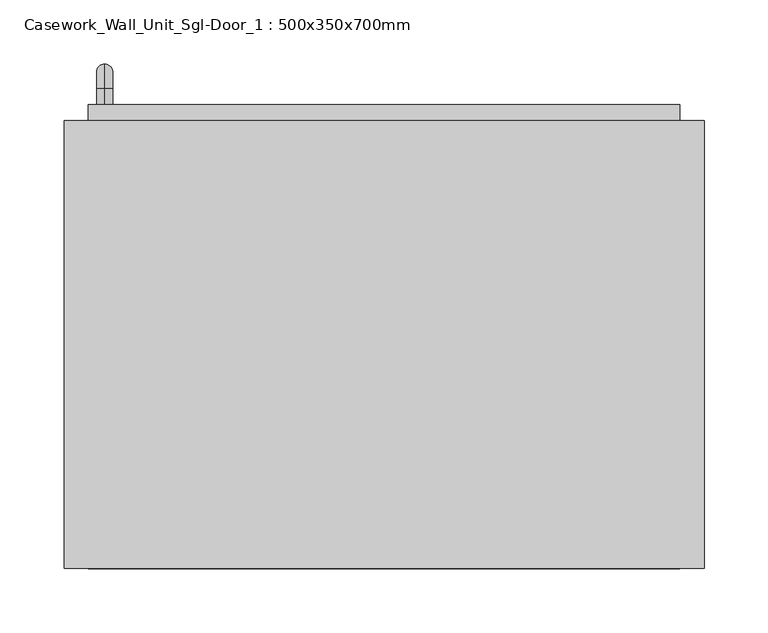
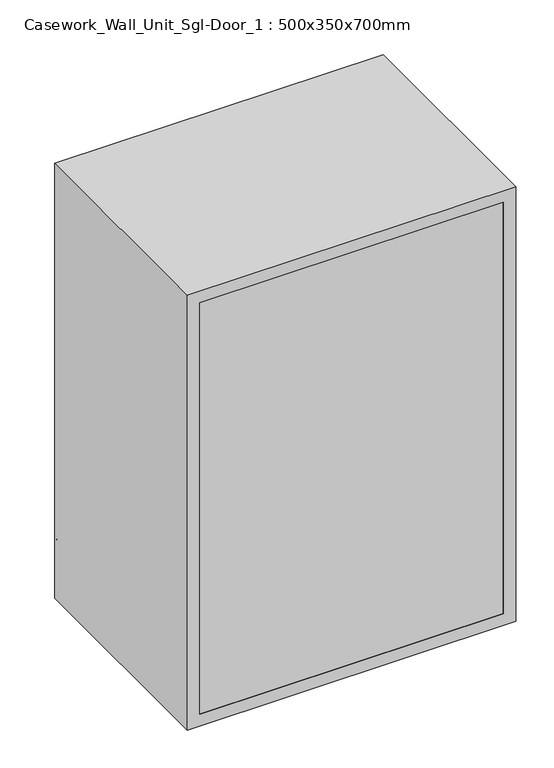
"""IFC4 building model written with IfcOpenShell, lengths in millimetres: furniture geometry, Casework_Wall_Unit_Sgl-Door_1 : 500x350x700mm."""

import ifcopenshell
import ifcopenshell.guid

model = None  # the IFC model being written
_history = None  # IfcOwnerHistory: only IFC2X3 demands one
_inside = {}  # id of a spatial element -> (the spatial element, [elements in it])
_under = {}  # id of a project, library or spatial element -> (it, [spatial elements below it])
_declared = {}  # id of a project -> (the project, [libraries it declares])
_typed = {}  # id of a type object -> (the type object, [elements of that type])
_made_of = {}  # id of a material, layer set ... -> (it, [elements and type objects made of it])


def new_model(schema):
    """Start an empty IFC model of exactly this schema.

    Asked for "IFC4X3", IfcOpenShell would pick the latest addendum, in which some entities
    have other attributes; the version numbers below select the first issue.
    IFC2X3 requires an IfcOwnerHistory on every rooted entity: one is made here for all.
    """
    global model, _history
    if schema == "IFC4X3":
        model = ifcopenshell.file(schema_version=(4, 3, 0, 0))
    else:
        model = ifcopenshell.file(schema=schema)
    _inside.clear()
    _under.clear()
    _declared.clear()
    _typed.clear()
    _made_of.clear()
    _history = None
    if model.schema == "IFC2X3":
        org = make("IfcOrganization", Name="unknown")
        user = make(
            "IfcPersonAndOrganization",
            ThePerson=make("IfcPerson", FamilyName="unknown"),
            TheOrganization=org,
        )
        app = make(
            "IfcApplication",
            ApplicationDeveloper=org,
            Version="unknown",
            ApplicationFullName="unknown",
            ApplicationIdentifier="unknown",
        )
        _history = make(
            "IfcOwnerHistory",
            OwningUser=user,
            OwningApplication=app,
            ChangeAction="ADDED",
            CreationDate=0,
        )
    return model


def make(cls, **values):
    """One entity of the class cls with the attributes given. An attribute that is None is left unset."""
    return model.create_entity(
        cls, **{name: value for name, value in values.items() if value is not None}
    )


def rooted(cls, **values):
    """An entity with a GlobalId (a new one), such as an element, a storey or a relation."""
    return make(cls, GlobalId=ifcopenshell.guid.new(), OwnerHistory=_history, **values)


def si_unit(unit_type, name, prefix=None):
    """IfcSIUnit, for example si_unit("LENGTHUNIT", "METRE", prefix="MILLI")."""
    return make("IfcSIUnit", UnitType=unit_type, Prefix=prefix, Name=name)


def assignment(units):
    """IfcUnitAssignment: the units of a project."""
    return None if units is None else make("IfcUnitAssignment", Units=units)


def point(xyz):
    """IfcCartesianPoint."""
    return None if xyz is None else make("IfcCartesianPoint", Coordinates=xyz)


def direction(xyz):
    """IfcDirection."""
    return None if xyz is None else make("IfcDirection", DirectionRatios=xyz)


def frame(location, z_axis=None, x_axis=None):
    """IfcAxis2Placement3D, a coordinate frame: its origin and axes. An axis left out is left unset."""
    return make(
        "IfcAxis2Placement3D",
        Location=point(location),
        Axis=direction(z_axis),
        RefDirection=direction(x_axis),
    )


def origin():
    """The frame at (0, 0, 0) with its axes left unset."""
    return frame((0.0, 0.0, 0.0))


def place(relative_to, where):
    """IfcLocalPlacement: puts the frame where relative to a parent placement (None: the world)."""
    return make(
        "IfcLocalPlacement", PlacementRelTo=relative_to, RelativePlacement=where
    )


def context(
    kind, dimensions, precision=None, world=None, true_north=None, identifier=None
):
    """IfcGeometricRepresentationContext, for example the 3D "Model" context."""
    return make(
        "IfcGeometricRepresentationContext",
        ContextIdentifier=identifier,
        ContextType=kind,
        CoordinateSpaceDimension=dimensions,
        Precision=precision,
        WorldCoordinateSystem=world,
        TrueNorth=true_north,
    )


def project(units=None, contexts=None):
    """IfcProject with its units and contexts."""
    return rooted(
        "IfcProject",
        Name="project",
        RepresentationContexts=contexts,
        UnitsInContext=assignment(units),
    )


def spatial(cls, under=None, at=None, **own):
    """A site, building, storey or space (cls), placed at a placement, below another one or the project."""
    s = rooted(cls, ObjectPlacement=at, **own)
    if under is not None:
        _under.setdefault(under.id(), (under, []))[1].append(s)
    return s


def polyline(points):
    """IfcPolyline through the points."""
    return make("IfcPolyline", Points=[point(p) for p in points])


def circle_curve(where, radius):
    """IfcCircle in the frame where."""
    return make("IfcCircle", Position=where, Radius=radius)


def ellipse_curve(where, semi_axis1, semi_axis2):
    """IfcEllipse in the frame where."""
    return make(
        "IfcEllipse", Position=where, SemiAxis1=semi_axis1, SemiAxis2=semi_axis2
    )


def trimmed(basis, trim1, trim2, sense, master):
    """IfcTrimmedCurve: the piece of a basis curve between two trims."""
    return make(
        "IfcTrimmedCurve",
        BasisCurve=basis,
        Trim1=trim1,
        Trim2=trim2,
        SenseAgreement=sense,
        MasterRepresentation=master,
    )


def outline(outer, holes=None, kind="AREA"):
    """IfcArbitraryClosedProfileDef: a profile drawn as a closed curve; with holes, ...WithVoids."""
    if holes is None:
        return make("IfcArbitraryClosedProfileDef", ProfileType=kind, OuterCurve=outer)
    return make(
        "IfcArbitraryProfileDefWithVoids",
        ProfileType=kind,
        OuterCurve=outer,
        InnerCurves=holes,
    )


def extrude(swept, where, along, depth):
    """IfcExtrudedAreaSolid: the profile swept, set in the frame where, extruded along a direction by depth."""
    return make(
        "IfcExtrudedAreaSolid",
        SweptArea=swept,
        Position=where,
        ExtrudedDirection=direction(along),
        Depth=depth,
    )


def shape(context_of_items, identifier, shape_type, items):
    """IfcShapeRepresentation: the items that make up one representation, for example the "Body"."""
    return make(
        "IfcShapeRepresentation",
        ContextOfItems=context_of_items,
        RepresentationIdentifier=identifier,
        RepresentationType=shape_type,
        Items=items,
    )


def source(mapping_origin, context_of_items, identifier, shape_type, items):
    """IfcRepresentationMap: a shape defined once, which mapped items show again and again."""
    return make(
        "IfcRepresentationMap",
        MappingOrigin=mapping_origin,
        MappedRepresentation=shape(context_of_items, identifier, shape_type, items),
    )


def transform(
    local_origin,
    x_axis=None,
    y_axis=None,
    z_axis=None,
    scale=None,
    scale2=None,
    scale3=None,
    uniform=True,
):
    """IfcCartesianTransformationOperator3D, or its non-uniform kind. x_axis, y_axis, z_axis: its Axis1, 2, 3."""
    if uniform:
        return make(
            "IfcCartesianTransformationOperator3D",
            Axis1=direction(x_axis),
            Axis2=direction(y_axis),
            LocalOrigin=point(local_origin),
            Scale=scale,
            Axis3=direction(z_axis),
        )
    return make(
        "IfcCartesianTransformationOperator3DnonUniform",
        Axis1=direction(x_axis),
        Axis2=direction(y_axis),
        LocalOrigin=point(local_origin),
        Scale=scale,
        Axis3=direction(z_axis),
        Scale2=scale2,
        Scale3=scale3,
    )


def mapped(mapping_source, mapping_target):
    """IfcMappedItem: shows the shape of a source again, moved by a transform."""
    return make(
        "IfcMappedItem", MappingSource=mapping_source, MappingTarget=mapping_target
    )


def made_of(thing, what):
    """Note that an element or type object is made of a material, layer set ...; save() writes the relation."""
    if what is not None:
        _made_of.setdefault(what.id(), (what, []))[1].append(thing)
    return thing


def element(
    cls,
    number,
    at=None,
    inside=None,
    cuts=None,
    type_object=None,
    material=None,
    context=None,
    identifier="Body",
    shape_type=None,
    held_by="IfcProductDefinitionShape",
    body=None,
    shapes=None,
    **own,
):
    """One element of the class cls, such as IfcWall. Its Tag is "e" and its number.

    at: its placement. inside: the storey or other place that contains it. cuts: it is an
    opening in that element (IfcRelVoidsElement). A single representation is given by context,
    identifier, shape_type and body (its items); several are given by shapes. held_by: the class
    of the entity that holds the representations. save() writes the other relations.
    """
    e = rooted(cls, Tag="e%d" % number, ObjectPlacement=at, **own)
    if body is not None:
        shapes = [shape(context, identifier, shape_type, body)]
    if shapes is not None:
        e.Representation = make(held_by, Representations=shapes)
    if inside is not None:
        _inside.setdefault(inside.id(), (inside, []))[1].append(e)
    if cuts is not None:
        rooted(
            "IfcRelVoidsElement", RelatingBuildingElement=cuts, RelatedOpeningElement=e
        )
    if type_object is not None:
        _typed.setdefault(type_object.id(), (type_object, []))[1].append(e)
    return made_of(e, material)


def aggregate(whole, parts):
    """IfcRelAggregates: a whole, such as a stair, and the parts it consists of."""
    return rooted("IfcRelAggregates", RelatingObject=whole, RelatedObjects=parts)


def save(model, path):
    """Write the relations noted so far, then the file.

    IfcRelAggregates (storeys below a building ...), IfcRelContainedInSpatialStructure (elements
    in a storey), IfcRelDefinesByType, IfcRelAssociatesMaterial and IfcRelDeclares: one each for
    every whole, place, type object, material and project.
    """
    for whole, parts in _under.values():
        aggregate(whole, parts)
    for where, things in _inside.values():
        rooted(
            "IfcRelContainedInSpatialStructure",
            RelatedElements=things,
            RelatingStructure=where,
        )
    for kind, things in _typed.values():
        rooted("IfcRelDefinesByType", RelatedObjects=things, RelatingType=kind)
    for what, things in _made_of.values():
        rooted("IfcRelAssociatesMaterial", RelatedObjects=things, RelatingMaterial=what)
    for by, libraries in _declared.values():
        rooted("IfcRelDeclares", RelatingContext=by, RelatedDefinitions=libraries)
    model.write(path)


def plane_surface(at):
    """IfcPlane: the flat surface through the origin of the frame at, square to its z axis."""
    return make("IfcPlane", Position=at)


def cylinder_surface(at, radius):
    """IfcCylindricalSurface: all points at the distance radius from the z axis of the frame at."""
    return make("IfcCylindricalSurface", Position=at, Radius=radius)


def revolved_surface(curve, axis_point, axis_direction):
    """IfcSurfaceOfRevolution: the curve turned about the line through axis_point along axis_direction."""
    return make(
        "IfcSurfaceOfRevolution",
        SweptCurve=make("IfcArbitraryOpenProfileDef", ProfileType="CURVE", Curve=curve),
        AxisPosition=make("IfcAxis1Placement", Location=point(axis_point), Axis=direction(axis_direction)),
    )


def advanced_brep(points, edges, surfaces, faces):
    """IfcAdvancedBrep: a solid bounded by faces that lie on surfaces and meet in shared edges.

    An edge is (start, end): straight between two places in points (the first is 0);
    or (start, end, curve); or (start, end, curve, False) where it runs against its curve.
    A face is (place in surfaces, loops), or (place, loops, False) where it looks against
    its surface's normal. A loop lists edges by number (the first is 1), with a minus sign
    where the edge is run from its end to its start. The first loop is the outer one.
    """
    corners = [point(p) for p in points]
    vertices = [make("IfcVertexPoint", VertexGeometry=c) for c in corners]
    made = []
    for start, end, *more in edges:
        made.append(
            make(
                "IfcEdgeCurve",
                EdgeStart=vertices[start],
                EdgeEnd=vertices[end],
                EdgeGeometry=more[0] if more else make("IfcPolyline", Points=[corners[start], corners[end]]),
                SameSense=more[1] if len(more) > 1 else True,
            )
        )
    hull = []
    for where, loops, *sense in faces:
        bounds = []
        for j, loop in enumerate(loops):
            ring = [make("IfcOrientedEdge", EdgeElement=made[abs(k) - 1], Orientation=k > 0) for k in loop]
            bounds.append(
                make(
                    "IfcFaceOuterBound" if j == 0 else "IfcFaceBound",
                    Bound=make("IfcEdgeLoop", EdgeList=ring),
                    Orientation=True,
                )
            )
        hull.append(make("IfcAdvancedFace", Bounds=bounds, FaceSurface=surfaces[where], SameSense=sense[0] if sense else True))
    return make("IfcAdvancedBrep", Outer=make("IfcClosedShell", CfsFaces=hull))


def casework_wall_unit_sgl_door_1_500x350x700mm_7bf0651b(model_context):
    return source(origin(), model_context, "Body", "SolidModel", [
        extrude(outline(polyline([(2000.0, -220.2288372), (1300.0, -220.2288372), (1300.0, 279.7711628), (2000.0, 279.7711628), (2000.0, -220.2288372)]), holes=[polyline([(1980.95, -201.1788372), (1980.95, 260.7211628), (1319.05, 260.7211628), (1319.05, -201.1788372), (1980.95, -201.1788372)])]), frame((0.0, 142.5, 0.0), z_axis=(0.0, 1.0, 0.0), x_axis=(0.0, 0.0, 1.0)), (0.0, 0.0, 1.0), 350.0),
        extrude(outline(polyline([(260.7211628, 142.5), (-201.1788372, 142.5), (-201.1788372, 161.55), (260.7211628, 161.55), (260.7211628, 142.5)])), frame((0.0, 0.0, 1319.05), z_axis=(0.0, 0.0, 1.0), x_axis=(1.0, 0.0, 0.0)), (0.0, 0.0, 1.0), 661.9),
        extrude(outline(polyline([(-201.1788372, 505.2), (260.7211628, 505.2), (260.7211628, 473.45), (-201.1788372, 473.45), (-201.1788372, 505.2)])), frame((0.0, 0.0, 1319.05), z_axis=(0.0, 0.0, 1.0), x_axis=(1.0, 0.0, 0.0)), (0.0, 0.0, 1.0), 661.9),
        advanced_brep(
        [(-188.4788372, 505.2, 1446.05), (-188.4788372, 505.2, 1458.75), (-188.4788372, 517.9, 1446.05), (-188.4788372, 517.9, 1458.75), (-188.4788372, 536.95, 1439.7), (-188.4788372, 524.25, 1439.7), (-188.4788372, 524.25, 1363.5), (-188.4788372, 536.95, 1363.5), (-188.4788372, 517.9, 1344.45), (-188.4788372, 517.9, 1357.15), (-188.4788372, 505.2, 1357.15), (-188.4788372, 505.2, 1344.45)],
        [
            (0, 1, circle_curve(frame((-188.4788372, 505.2, 1452.4), z_axis=(0.0, -1.0, 0.0), x_axis=(0.0, 0.0, 1.0)), 6.35)),
            (1, 0, circle_curve(frame((-188.4788372, 505.2, 1452.4), z_axis=(0.0, -1.0, 0.0), x_axis=(0.0, 0.0, 1.0)), 6.35)),
            (0, 2),
            (2, 3, circle_curve(frame((-188.4788372, 517.9, 1452.4), z_axis=(0.0, -1.0, 0.0), x_axis=(0.0, 0.0, 1.0)), 6.35)),
            (3, 1),
            (3, 2, circle_curve(frame((-188.4788372, 517.9, 1452.4), z_axis=(0.0, -1.0, 0.0), x_axis=(0.0, 0.0, 1.0)), 6.35)),
            (4, 3, circle_curve(frame((-188.4788372, 517.9, 1439.7), z_axis=(1.0, 0.0, 0.0), x_axis=(0.0, 0.0, 1.0)), 19.05)),
            (2, 5, circle_curve(frame((-188.4788372, 517.9, 1439.7), z_axis=(-1.0, 0.0, 0.0), x_axis=(0.0, 0.0, 1.0)), 6.35)),
            (5, 4, circle_curve(frame((-188.4788372, 530.6, 1439.7), z_axis=(0.0, 0.0, 1.0), x_axis=(0.0, 1.0, 0.0)), 6.35)),
            (4, 5, circle_curve(frame((-188.4788372, 530.6, 1439.7), z_axis=(0.0, 0.0, 1.0), x_axis=(0.0, 1.0, 0.0)), 6.35)),
            (5, 6),
            (6, 7, circle_curve(frame((-188.4788372, 530.6, 1363.5), z_axis=(0.0, 0.0, 1.0), x_axis=(0.0, 1.0, 0.0)), 6.35)),
            (7, 4),
            (7, 6, circle_curve(frame((-188.4788372, 530.6, 1363.5), z_axis=(0.0, 0.0, 1.0), x_axis=(0.0, 1.0, 0.0)), 6.35)),
            (8, 7, circle_curve(frame((-188.4788372, 517.9, 1363.5), z_axis=(1.0, 0.0, 0.0), x_axis=(0.0, 1.0, 0.0)), 19.05)),
            (6, 9, circle_curve(frame((-188.4788372, 517.9, 1363.5), z_axis=(-1.0, 0.0, 0.0), x_axis=(0.0, 1.0, 0.0)), 6.35)),
            (9, 8, circle_curve(frame((-188.4788372, 517.9, 1350.8), z_axis=(0.0, 1.0, 0.0), x_axis=(0.0, 0.0, -1.0)), 6.35)),
            (8, 9, circle_curve(frame((-188.4788372, 517.9, 1350.8), z_axis=(0.0, 1.0, 0.0), x_axis=(0.0, 0.0, -1.0)), 6.35)),
            (10, 11, circle_curve(frame((-188.4788372, 505.2, 1350.8), z_axis=(0.0, -1.0, 0.0), x_axis=(0.0, 0.0, -1.0)), 6.35)),
            (11, 10, circle_curve(frame((-188.4788372, 505.2, 1350.8), z_axis=(0.0, -1.0, 0.0), x_axis=(0.0, 0.0, -1.0)), 6.35)),
            (9, 10),
            (11, 8),
        ],
        [
            plane_surface(frame((-194.8288372, 505.2, 1452.4), z_axis=(0.0, -1.0, 0.0), x_axis=(0.0, 0.0, 1.0))),
            cylinder_surface(frame((-188.4788372, 505.2, 1452.4), z_axis=(0.0, -1.0, 0.0), x_axis=(0.0, 0.0, 1.0)), 6.35),
            revolved_surface(trimmed(ellipse_curve(frame((-188.4788372, 517.9, 1452.4), z_axis=(0.0, -1.0, 0.0), x_axis=(0.0, 0.0, 1.0)), 6.35, 6.35), [point((-188.4788372, 517.9, 1446.05))], [point((-188.4788372, 517.9, 1458.75))], True, "CARTESIAN"), (-188.4788372, 517.9, 1439.7), (-1.0, 0.0, 0.0)),
            revolved_surface(trimmed(ellipse_curve(frame((-188.4788372, 517.9, 1452.4), z_axis=(0.0, -1.0, 0.0), x_axis=(0.0, 0.0, 1.0)), 6.35, 6.35), [point((-188.4788372, 517.9, 1458.75))], [point((-188.4788372, 517.9, 1446.05))], True, "CARTESIAN"), (-188.4788372, 517.9, 1439.7), (-1.0, 0.0, 0.0)),
            cylinder_surface(frame((-188.4788372, 530.6, 1439.7), z_axis=(0.0, 0.0, 1.0), x_axis=(0.0, 1.0, 0.0)), 6.35),
            revolved_surface(trimmed(ellipse_curve(frame((-188.4788372, 530.6, 1363.5), z_axis=(0.0, 0.0, 1.0), x_axis=(0.0, 1.0, 0.0)), 6.35, 6.35), [point((-188.4788372, 524.25, 1363.5))], [point((-188.4788372, 536.95, 1363.5))], True, "CARTESIAN"), (-188.4788372, 517.9, 1363.5), (-1.0, 0.0, 0.0)),
            revolved_surface(trimmed(ellipse_curve(frame((-188.4788372, 530.6, 1363.5), z_axis=(0.0, 0.0, 1.0), x_axis=(0.0, 1.0, 0.0)), 6.35, 6.35), [point((-188.4788372, 536.95, 1363.5))], [point((-188.4788372, 524.25, 1363.5))], True, "CARTESIAN"), (-188.4788372, 517.9, 1363.5), (-1.0, 0.0, 0.0)),
            plane_surface(frame((-194.8288372, 505.2, 1350.8), z_axis=(0.0, -1.0, 0.0), x_axis=(0.0, 0.0, -1.0))),
            cylinder_surface(frame((-188.4788372, 517.9, 1350.8), z_axis=(0.0, 1.0, 0.0), x_axis=(0.0, 0.0, -1.0)), 6.35),
        ],
        [
            (0, [[1, 2]]),
            (1, [[-1, 3, 4, 5]]),
            (1, [[-2, -5, 6, -3]]),
            (2, [[7, -4, 8, 9]]),
            (3, [[-8, -6, -7, 10]]),
            (4, [[-9, 11, 12, 13]]),
            (4, [[-10, -13, 14, -11]]),
            (5, [[15, -12, 16, 17]]),
            (6, [[-16, -14, -15, 18]]),
            (7, [[19, 20]]),
            (8, [[-17, 21, -20, 22]]),
            (8, [[-18, -22, -19, -21]]),
        ],
    ),
    ])


if __name__ == "__main__":
    model = new_model("IFC4")
    model_context = context("Model", 3, world=origin())
    ifc_project = project(units=[si_unit("LENGTHUNIT", "METRE", prefix="MILLI")], contexts=[model_context])
    site = spatial("IfcSite", under=ifc_project)
    building = spatial("IfcBuilding", under=site)
    placement = place(None, origin())
    casework_wall_unit_sgl_door_1_500x350x700mm_shape = casework_wall_unit_sgl_door_1_500x350x700mm_7bf0651b(model_context)
    element("IfcFurniture", 1, ObjectType="Casework_Wall_Unit_Sgl-Door_1 : 500x350x700mm", at=placement, inside=building, context=model_context, shape_type="MappedRepresentation", body=[
        mapped(casework_wall_unit_sgl_door_1_500x350x700mm_shape, transform((0.0, 0.0, 0.0), x_axis=(1.0, 0.0, 0.0), y_axis=(0.0, 1.0, 0.0), z_axis=(0.0, 0.0, 1.0))),
    ])
    save(model, "model.ifc")
